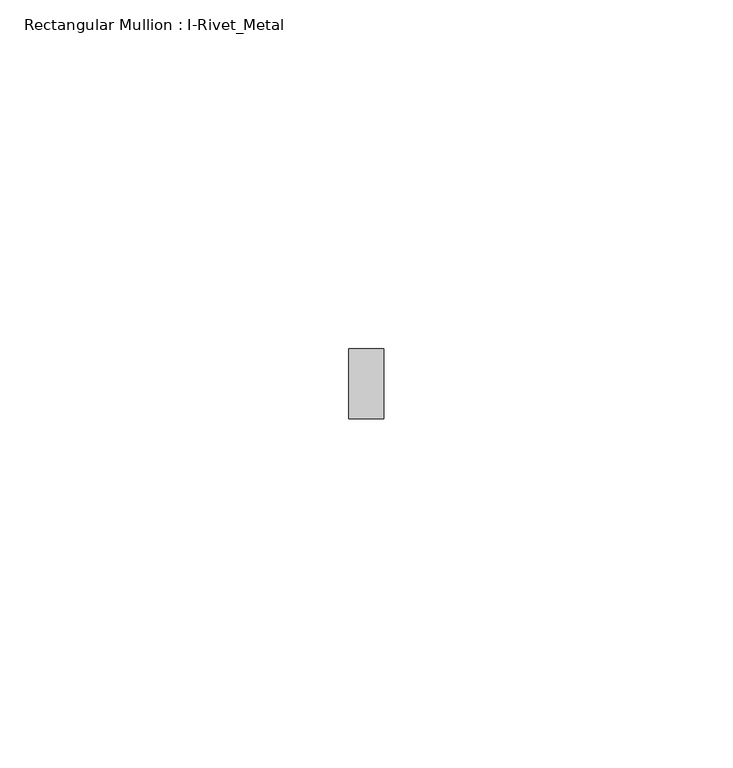
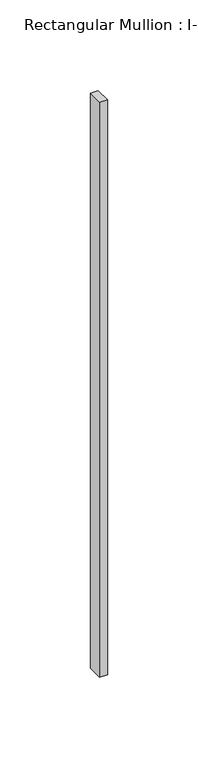
"""IFC4 building model written with IfcOpenShell, lengths in millimetres: member geometry, Rectangular Mullion : I-Rivet_Metal."""

from ifc_helpers import new_model, si_unit, frame, origin, place, context, project, spatial, polyline, outline, extrude, source, transform, mapped, element, save


def rectangular_mullion_i_rivet_metal_c9f99030(model_context):
    return source(origin(), model_context, "Body", "SweptSolid", [
        extrude(outline(polyline([(2.5, 70.0), (-2.5, 70.0), (-2.5, 80.0), (2.5, 80.0), (2.5, 70.0)])), frame((0.0, 0.0, -387.5), z_axis=(0.0, 0.0, 1.0), x_axis=(1.0, 0.0, 0.0)), (0.0, 0.0, 1.0), 387.5),
    ])


if __name__ == "__main__":
    model = new_model("IFC4")
    model_context = context("Model", 3, world=origin())
    ifc_project = project(units=[si_unit("LENGTHUNIT", "METRE", prefix="MILLI")], contexts=[model_context])
    site = spatial("IfcSite", under=ifc_project)
    building = spatial("IfcBuilding", under=site)
    placement = place(None, origin())
    rectangular_mullion_i_rivet_metal_shape = rectangular_mullion_i_rivet_metal_c9f99030(model_context)
    element("IfcMember", 1, ObjectType="Rectangular Mullion : I-Rivet_Metal", at=placement, inside=building, context=model_context, shape_type="MappedRepresentation", body=[
        mapped(rectangular_mullion_i_rivet_metal_shape, transform((0.0, 0.0, 0.0), x_axis=(1.0, 0.0, 0.0), y_axis=(0.0, 1.0, 0.0), z_axis=(0.0, 0.0, 1.0))),
    ])
    save(model, "model.ifc")
